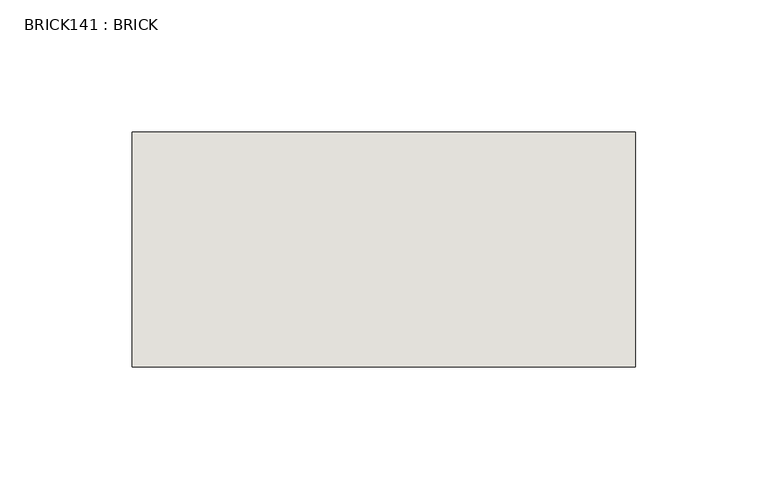
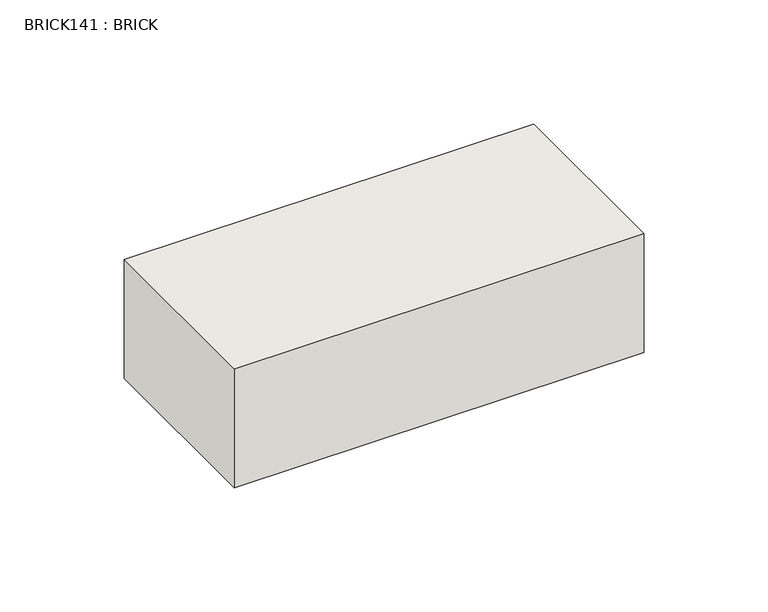
"""IFC4 building model written with IfcOpenShell, lengths in millimetres: wall geometry, BRICK141 : BRICK."""

from ifc_helpers import new_model, si_unit, frame, origin, place, context, project, spatial, polyline, outline, extrude, source, transform, mapped, element, save


def brick141_brick_fb886e9b(model_context):
    return source(origin(), model_context, "Body", "SweptSolid", [
        extrude(outline(polyline([(22.0530711, 2586.2274125), (212.5530711, 2586.2274125), (212.5530711, 2497.3274125), (22.0530711, 2497.3274125), (22.0530711, 2586.2274125)])), frame((0.0, 0.0, 214.0148438), z_axis=(0.0, 0.0, 1.0), x_axis=(1.0, 0.0, 0.0)), (0.0, 0.0, 1.0), 58.4398437),
    ])


if __name__ == "__main__":
    model = new_model("IFC4")
    model_context = context("Model", 3, world=origin())
    ifc_project = project(units=[si_unit("LENGTHUNIT", "METRE", prefix="MILLI")], contexts=[model_context])
    site = spatial("IfcSite", under=ifc_project)
    building = spatial("IfcBuilding", under=site)
    placement = place(None, origin())
    brick141_brick_shape = brick141_brick_fb886e9b(model_context)
    element("IfcWall", 1, ObjectType="BRICK141 : BRICK", at=placement, inside=building, context=model_context, shape_type="MappedRepresentation", body=[
        mapped(brick141_brick_shape, transform((0.0, 0.0, 0.0), x_axis=(1.0, 0.0, 0.0), y_axis=(0.0, 1.0, 0.0), z_axis=(0.0, 0.0, 1.0))),
    ])
    save(model, "model.ifc")
